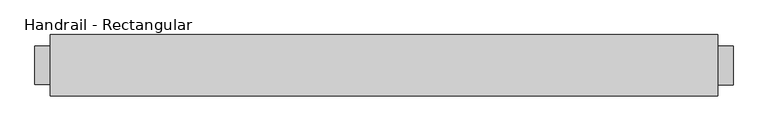
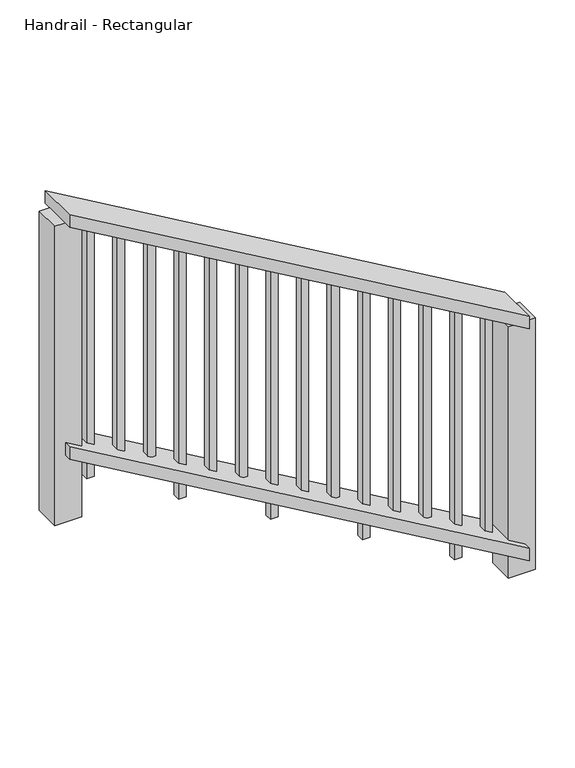
"""IFC4 building model written with IfcOpenShell, lengths in millimetres: railing geometry, Handrail - Rectangular."""

from ifc_helpers import new_model, si_unit, frame, origin, place, context, project, spatial, polyline, outline, extrude, source, transform, mapped, element, save


def handrail_rectangular_6794dcd9(model_context):
    return source(origin(), model_context, "Body", "SweptSolid", [
        extrude(outline(polyline([(-856.9085097, 4623.5452348), (-812.8, 4623.5452348), (76.2, 3099.5452348), (32.0914903, 3099.5452348), (-856.9085097, 4623.5452348)])), frame((0.0, 8498.6984734, 0.0), z_axis=(0.0, 1.0, 0.0), x_axis=(0.0, 0.0, 1.0)), (0.0, 0.0, 1.0), 139.7),
        extrude(outline(polyline([(-44.1085097, 4623.5452348), (0.0, 4623.5452348), (889.0, 3099.5452348), (844.8914903, 3099.5452348), (-44.1085097, 4623.5452348)])), frame((0.0, 8498.6984734, 0.0), z_axis=(0.0, 1.0, 0.0), x_axis=(0.0, 0.0, 1.0)), (0.0, 0.0, 1.0), 139.7),
        extrude(outline(polyline([(778.2164903, 3213.8452348), (793.033157, 3188.4452348), (-101.6, 3188.4452348), (-101.6, 3213.8452348), (778.2164903, 3213.8452348)])), frame((0.0, 8555.8484734, 0.0), z_axis=(0.0, 1.0, 0.0), x_axis=(0.0, 0.0, 1.0)), (0.0, 0.0, 1.0), 25.4),
        extrude(outline(polyline([(718.9498237, 3315.4452348), (733.7664903, 3290.0452348), (-101.6, 3290.0452348), (-101.6, 3315.4452348), (718.9498237, 3315.4452348)])), frame((0.0, 8555.8484734, 0.0), z_axis=(0.0, 1.0, 0.0), x_axis=(0.0, 0.0, 1.0)), (0.0, 0.0, 1.0), 25.4),
        extrude(outline(polyline([(659.683157, 3417.0452348), (674.4998237, 3391.6452348), (-101.6, 3391.6452348), (-101.6, 3417.0452348), (659.683157, 3417.0452348)])), frame((0.0, 8555.8484734, 0.0), z_axis=(0.0, 1.0, 0.0), x_axis=(0.0, 0.0, 1.0)), (0.0, 0.0, 1.0), 25.4),
        extrude(outline(polyline([(600.4164903, 3518.6452348), (615.233157, 3493.2452348), (-279.4, 3493.2452348), (-279.4, 3518.6452348), (600.4164903, 3518.6452348)])), frame((0.0, 8555.8484734, 0.0), z_axis=(0.0, 1.0, 0.0), x_axis=(0.0, 0.0, 1.0)), (0.0, 0.0, 1.0), 25.4),
        extrude(outline(polyline([(541.1498237, 3620.2452348), (555.9664903, 3594.8452348), (-279.4, 3594.8452348), (-279.4, 3620.2452348), (541.1498237, 3620.2452348)])), frame((0.0, 8555.8484734, 0.0), z_axis=(0.0, 1.0, 0.0), x_axis=(0.0, 0.0, 1.0)), (0.0, 0.0, 1.0), 25.4),
        extrude(outline(polyline([(481.883157, 3721.8452348), (496.6998237, 3696.4452348), (-279.4, 3696.4452348), (-279.4, 3721.8452348), (481.883157, 3721.8452348)])), frame((0.0, 8555.8484734, 0.0), z_axis=(0.0, 1.0, 0.0), x_axis=(0.0, 0.0, 1.0)), (0.0, 0.0, 1.0), 25.4),
        extrude(outline(polyline([(422.6164903, 3823.4452348), (437.433157, 3798.0452348), (-457.2, 3798.0452348), (-457.2, 3823.4452348), (422.6164903, 3823.4452348)])), frame((0.0, 8555.8484734, 0.0), z_axis=(0.0, 1.0, 0.0), x_axis=(0.0, 0.0, 1.0)), (0.0, 0.0, 1.0), 25.4),
        extrude(outline(polyline([(363.3498237, 3925.0452348), (378.1664903, 3899.6452348), (-457.2, 3899.6452348), (-457.2, 3925.0452348), (363.3498237, 3925.0452348)])), frame((0.0, 8555.8484734, 0.0), z_axis=(0.0, 1.0, 0.0), x_axis=(0.0, 0.0, 1.0)), (0.0, 0.0, 1.0), 25.4),
        extrude(outline(polyline([(304.083157, 4026.6452348), (318.8998237, 4001.2452348), (-457.2, 4001.2452348), (-457.2, 4026.6452348), (304.083157, 4026.6452348)])), frame((0.0, 8555.8484734, 0.0), z_axis=(0.0, 1.0, 0.0), x_axis=(0.0, 0.0, 1.0)), (0.0, 0.0, 1.0), 25.4),
        extrude(outline(polyline([(244.8164903, 4128.2452348), (259.633157, 4102.8452348), (-635.0, 4102.8452348), (-635.0, 4128.2452348), (244.8164903, 4128.2452348)])), frame((0.0, 8555.8484734, 0.0), z_axis=(0.0, 1.0, 0.0), x_axis=(0.0, 0.0, 1.0)), (0.0, 0.0, 1.0), 25.4),
        extrude(outline(polyline([(185.5498237, 4229.8452348), (200.3664903, 4204.4452348), (-635.0, 4204.4452348), (-635.0, 4229.8452348), (185.5498237, 4229.8452348)])), frame((0.0, 8555.8484734, 0.0), z_axis=(0.0, 1.0, 0.0), x_axis=(0.0, 0.0, 1.0)), (0.0, 0.0, 1.0), 25.4),
        extrude(outline(polyline([(126.283157, 4331.4452348), (141.0998237, 4306.0452348), (-635.0, 4306.0452348), (-635.0, 4331.4452348), (126.283157, 4331.4452348)])), frame((0.0, 8555.8484734, 0.0), z_axis=(0.0, 1.0, 0.0), x_axis=(0.0, 0.0, 1.0)), (0.0, 0.0, 1.0), 25.4),
        extrude(outline(polyline([(67.0164903, 4433.0452348), (81.833157, 4407.6452348), (-812.8, 4407.6452348), (-812.8, 4433.0452348), (67.0164903, 4433.0452348)])), frame((0.0, 8555.8484734, 0.0), z_axis=(0.0, 1.0, 0.0), x_axis=(0.0, 0.0, 1.0)), (0.0, 0.0, 1.0), 25.4),
        extrude(outline(polyline([(7.7498237, 4534.6452348), (22.5664903, 4509.2452348), (-812.8, 4509.2452348), (-812.8, 4534.6452348), (7.7498237, 4534.6452348)])), frame((0.0, 8555.8484734, 0.0), z_axis=(0.0, 1.0, 0.0), x_axis=(0.0, 0.0, 1.0)), (0.0, 0.0, 1.0), 25.4),
        extrude(outline(polyline([(3153.5202348, 8524.0984734), (3064.6202348, 8524.0984734), (3064.6202348, 8612.9984734), (3153.5202348, 8612.9984734), (3153.5202348, 8524.0984734)])), frame((0.0, 0.0, -203.2), z_axis=(0.0, 0.0, 1.0), x_axis=(1.0, 0.0, 0.0)), (0.0, 0.0, 1.0), 1048.54375),
        extrude(outline(polyline([(4658.4702348, 8524.0984734), (4569.5702348, 8524.0984734), (4569.5702348, 8612.9984734), (4658.4702348, 8612.9984734), (4658.4702348, 8524.0984734)])), frame((0.0, 0.0, -914.4), z_axis=(0.0, 0.0, 1.0), x_axis=(1.0, 0.0, 0.0)), (0.0, 0.0, 1.0), 881.85625),
    ])


if __name__ == "__main__":
    model = new_model("IFC4")
    model_context = context("Model", 3, world=origin())
    ifc_project = project(units=[si_unit("LENGTHUNIT", "METRE", prefix="MILLI")], contexts=[model_context])
    site = spatial("IfcSite", under=ifc_project)
    building = spatial("IfcBuilding", under=site)
    placement = place(None, origin())
    handrail_rectangular_shape = handrail_rectangular_6794dcd9(model_context)
    element("IfcRailing", 1, ObjectType="Handrail - Rectangular", at=placement, inside=building, context=model_context, shape_type="MappedRepresentation", body=[
        mapped(handrail_rectangular_shape, transform((0.0, 0.0, 0.0), x_axis=(1.0, 0.0, 0.0), y_axis=(0.0, 1.0, 0.0), z_axis=(0.0, 0.0, 1.0))),
    ])
    save(model, "model.ifc")
